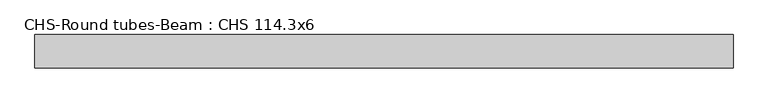
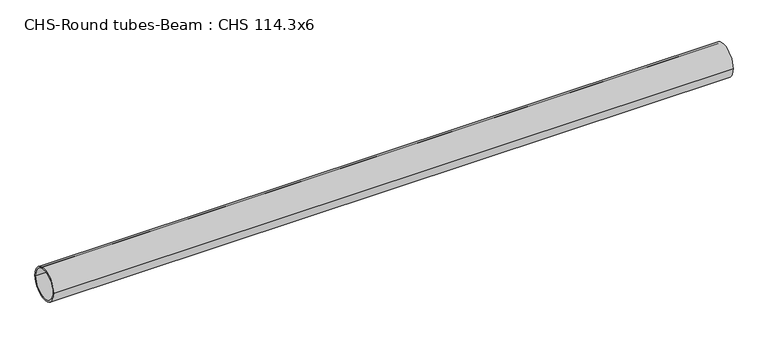
"""IFC4 building model written with IfcOpenShell, lengths in millimetres: beam geometry, CHS-Round tubes-Beam : CHS 114.3x6."""

from ifc_helpers import new_model, si_unit, point, frame, origin, origin_2d, place, context, project, spatial, circle_curve, trimmed, segment, composite_curve, outline, extrude, source, transform, mapped, element, save


def chs_round_tubes_beam_chs_114_3x6_c0b1c1fc(model_context):
    return source(origin(), model_context, "Body", "SweptSolid", [
        extrude(outline(composite_curve([segment(trimmed(circle_curve(origin_2d(), 57.15), [point((57.15, 0.0))], [point((-57.15, 0.0))], False, "CARTESIAN"), True, "CONTINUOUS"), segment(trimmed(circle_curve(origin_2d(), 57.15), [point((-57.15, 0.0))], [point((57.15, 0.0))], False, "CARTESIAN"), True, "CONTINUOUS")], self_intersect=False), holes=[composite_curve([segment(trimmed(circle_curve(origin_2d(), 51.15), [point((51.15, 0.0))], [point((-51.15, 0.0))], True, "CARTESIAN"), True, "CONTINUOUS"), segment(trimmed(circle_curve(origin_2d(), 51.15), [point((-51.15, 0.0))], [point((51.15, 0.0))], True, "CARTESIAN"), True, "CONTINUOUS")], self_intersect=False)]), frame((-1138.1872693, 0.0, 0.0), z_axis=(1.0, 0.0, 0.0), x_axis=(0.0, 1.0, 0.0)), (0.0, 0.0, 1.0), 2387.8788834),
    ])


if __name__ == "__main__":
    model = new_model("IFC4")
    model_context = context("Model", 3, world=origin())
    ifc_project = project(units=[si_unit("LENGTHUNIT", "METRE", prefix="MILLI")], contexts=[model_context])
    site = spatial("IfcSite", under=ifc_project)
    building = spatial("IfcBuilding", under=site)
    placement = place(None, origin())
    chs_round_tubes_beam_chs_114_3x6_shape = chs_round_tubes_beam_chs_114_3x6_c0b1c1fc(model_context)
    element("IfcBeam", 1, ObjectType="CHS-Round tubes-Beam : CHS 114.3x6", at=placement, inside=building, context=model_context, shape_type="MappedRepresentation", body=[
        mapped(chs_round_tubes_beam_chs_114_3x6_shape, transform((0.0, 0.0, 0.0), x_axis=(1.0, 0.0, 0.0), y_axis=(0.0, 1.0, 0.0), z_axis=(0.0, 0.0, 1.0))),
    ])
    save(model, "model.ifc")
